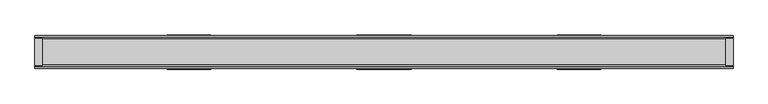
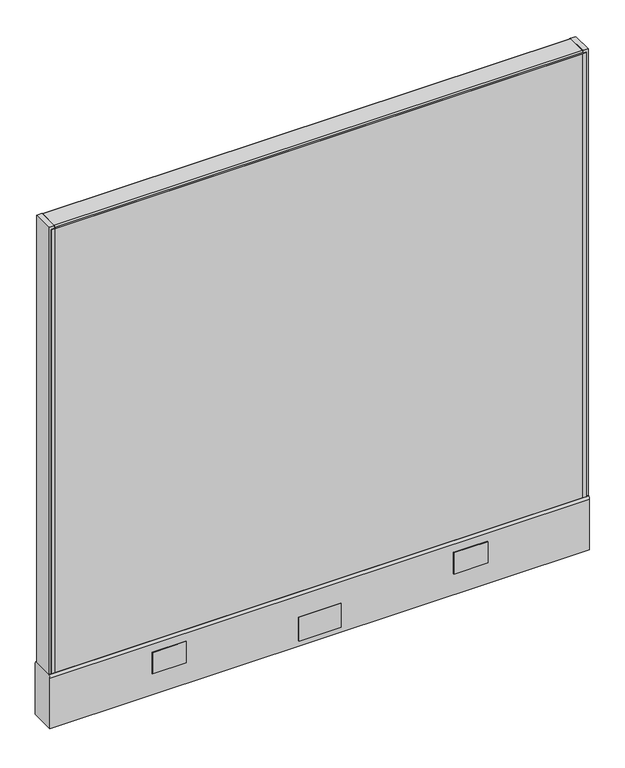
"""IFC4 building model written with IfcOpenShell, lengths in millimetres: furniture geometry."""

from ifc_helpers import new_model, si_unit, point, frame, frame_2d, origin, place, context, project, spatial, polyline, circle_curve, trimmed, segment, composite_curve, outline, extrude, source, transform, mapped, element, save
from ifc_brep_helpers import plane_surface, cylinder_surface, advanced_brep


def furniture_9ed7136b(model_context):
    return source(origin(), model_context, "Body", "SolidModel", [
        extrude(outline(polyline([(596.9039688, 25.4), (596.9039688, 0.0), (-596.8960312, 0.0), (-596.8960312, 25.4), (596.9039688, 25.4)])), frame((0.0, 0.0, 136.525), z_axis=(0.0, 0.0, 1.0), x_axis=(1.0, 0.0, 0.0)), (0.0, 0.0, 1.0), 1060.45),
        extrude(outline(polyline([(47.6289688, 28.575), (-47.6210312, 28.575), (-47.6210312, 30.1625), (47.6289688, 30.1625), (47.6289688, 28.575)])), frame((0.0, 0.0, 22.225), z_axis=(0.0, 0.0, 1.0), x_axis=(1.0, 0.0, 0.0)), (0.0, 0.0, 1.0), 57.15),
        extrude(outline(polyline([(47.6289688, -30.1625), (-47.6210312, -30.1625), (-47.6210312, -28.575), (47.6289688, -28.575), (47.6289688, -30.1625)])), frame((0.0, 0.0, 22.225), z_axis=(0.0, 0.0, 1.0), x_axis=(1.0, 0.0, 0.0)), (0.0, 0.0, 1.0), 57.15),
        advanced_brep(
        [(552.45, 0.0, 0.0), (577.85, 0.0, 0.0), (565.15, 0.0, 0.0), (552.45, 0.0, 4.7625), (577.85, 0.0, 4.7625), (558.8, 0.0, 4.7625), (571.5, 0.0, 4.7625), (558.8, 0.0, 111.125), (571.5, 0.0, 111.125), (565.15, 0.0, 111.125)],
        [
            (0, 1, circle_curve(frame((565.15, 0.0, 0.0), z_axis=(0.0, 0.0, -1.0), x_axis=(1.0, 0.0, 0.0)), 12.7)),
            (1, 2),
            (2, 0),
            (1, 0, circle_curve(frame((565.15, 0.0, 0.0), z_axis=(0.0, 0.0, -1.0), x_axis=(1.0, 0.0, 0.0)), 12.7)),
            (3, 4, circle_curve(frame((565.15, 0.0, 4.7625), z_axis=(0.0, 0.0, -1.0), x_axis=(1.0, 0.0, 0.0)), 12.7)),
            (4, 1),
            (0, 3),
            (4, 3, circle_curve(frame((565.15, 0.0, 4.7625), z_axis=(0.0, 0.0, -1.0), x_axis=(1.0, 0.0, 0.0)), 12.7)),
            (5, 6, circle_curve(frame((565.15, 0.0, 4.7625), z_axis=(0.0, 0.0, -1.0), x_axis=(1.0, 0.0, 0.0)), 6.35)),
            (6, 4),
            (3, 5),
            (6, 5, circle_curve(frame((565.15, 0.0, 4.7625), z_axis=(0.0, 0.0, -1.0), x_axis=(1.0, 0.0, 0.0)), 6.35)),
            (7, 8, circle_curve(frame((565.15, 0.0, 111.125), z_axis=(0.0, 0.0, -1.0), x_axis=(1.0, 0.0, 0.0)), 6.35)),
            (8, 6),
            (5, 7),
            (8, 7, circle_curve(frame((565.15, 0.0, 111.125), z_axis=(0.0, 0.0, -1.0), x_axis=(1.0, 0.0, 0.0)), 6.35)),
            (9, 8),
            (7, 9),
        ],
        [
            plane_surface(frame((565.15, 0.0, 0.0), z_axis=(0.0, 0.0, -1.0), x_axis=(1.0, 0.0, 0.0))),
            cylinder_surface(frame((565.15, 0.0, 114.882153), z_axis=(0.0, 0.0, 1.0), x_axis=(1.0, 0.0, 0.0)), 12.7),
            plane_surface(frame((565.15, 0.0, 4.7625), z_axis=(0.0, 0.0, 1.0), x_axis=(1.0, 0.0, 0.0))),
            cylinder_surface(frame((565.15, 0.0, 114.882153), z_axis=(0.0, 0.0, 1.0), x_axis=(1.0, 0.0, 0.0)), 6.35),
            plane_surface(frame((565.15, 0.0, 111.125), z_axis=(0.0, 0.0, 1.0), x_axis=(1.0, 0.0, 0.0))),
        ],
        [
            (0, [[1, 2, 3]]),
            (0, [[4, -3, -2]]),
            (1, [[5, 6, -1, 7]]),
            (1, [[8, -7, -4, -6]]),
            (2, [[9, 10, -5, 11]]),
            (2, [[12, -11, -8, -10]]),
            (3, [[13, 14, -9, 15]]),
            (3, [[16, -15, -12, -14]]),
            (4, [[17, -13, 18]]),
            (4, [[-18, -16, -17]]),
        ],
    ),
        advanced_brep(
        [(-577.85, 0.0, 4.7625), (-552.45, 0.0, 4.7625), (-552.45, 0.0, 0.0), (-577.85, 0.0, 0.0), (-571.5, 0.0, 4.7625), (-558.8, 0.0, 4.7625), (-571.5, 0.0, 111.125), (-558.8, 0.0, 111.125), (-565.15, 0.0, 111.125), (-565.15, 0.0, 0.0)],
        [
            (0, 1, circle_curve(frame((-565.15, 0.0, 4.7625), z_axis=(0.0, 0.0, -1.0), x_axis=(1.0, 0.0, 0.0)), 12.7)),
            (1, 2),
            (2, 3, circle_curve(frame((-565.15, 0.0, 0.0), z_axis=(0.0, 0.0, 1.0), x_axis=(1.0, 0.0, 0.0)), 12.7)),
            (3, 0),
            (1, 0, circle_curve(frame((-565.15, 0.0, 4.7625), z_axis=(0.0, 0.0, -1.0), x_axis=(1.0, 0.0, 0.0)), 12.7)),
            (3, 2, circle_curve(frame((-565.15, 0.0, 0.0), z_axis=(0.0, 0.0, 1.0), x_axis=(1.0, 0.0, 0.0)), 12.7)),
            (4, 5, circle_curve(frame((-565.15, 0.0, 4.7625), z_axis=(0.0, 0.0, -1.0), x_axis=(1.0, 0.0, 0.0)), 6.35)),
            (5, 1),
            (0, 4),
            (5, 4, circle_curve(frame((-565.15, 0.0, 4.7625), z_axis=(0.0, 0.0, -1.0), x_axis=(1.0, 0.0, 0.0)), 6.35)),
            (6, 7, circle_curve(frame((-565.15, 0.0, 111.125), z_axis=(0.0, 0.0, -1.0), x_axis=(1.0, 0.0, 0.0)), 6.35)),
            (7, 5),
            (4, 6),
            (7, 6, circle_curve(frame((-565.15, 0.0, 111.125), z_axis=(0.0, 0.0, -1.0), x_axis=(1.0, 0.0, 0.0)), 6.35)),
            (8, 7),
            (6, 8),
            (2, 9),
            (9, 3),
        ],
        [
            cylinder_surface(frame((-565.15, 0.0, 123.825), z_axis=(0.0, 0.0, 1.0), x_axis=(1.0, 0.0, 0.0)), 12.7),
            plane_surface(frame((-565.15, 0.0, 4.7625), z_axis=(0.0, 0.0, 1.0), x_axis=(1.0, 0.0, 0.0))),
            cylinder_surface(frame((-565.15, 0.0, 123.825), z_axis=(0.0, 0.0, 1.0), x_axis=(1.0, 0.0, 0.0)), 6.35),
            plane_surface(frame((-565.15, 0.0, 111.125), z_axis=(0.0, 0.0, 1.0), x_axis=(1.0, 0.0, 0.0))),
            plane_surface(frame((-565.15, 0.0, 0.0), z_axis=(0.0, 0.0, -1.0), x_axis=(1.0, 0.0, 0.0))),
        ],
        [
            (0, [[1, 2, 3, 4]]),
            (0, [[5, -4, 6, -2]]),
            (1, [[7, 8, -1, 9]]),
            (1, [[10, -9, -5, -8]]),
            (2, [[11, 12, -7, 13]]),
            (2, [[14, -13, -10, -12]]),
            (3, [[15, -11, 16]]),
            (3, [[-16, -14, -15]]),
            (4, [[-3, 17, 18]]),
            (4, [[-6, -18, -17]]),
        ],
    ),
        extrude(outline(polyline([(-609.5960312, 23.8125), (-596.8960313, 23.8125), (-596.8960313, -23.8125), (-609.5960312, -23.8125), (-609.5960312, 23.8125)])), frame((0.0, 0.0, 136.525), z_axis=(0.0, 0.0, 1.0), x_axis=(1.0, 0.0, 0.0)), (0.0, 0.0, 1.0), 1066.8),
        extrude(outline(polyline([(609.6039688, 23.8125), (609.6039688, -23.8125), (596.9039688, -23.8125), (596.9039688, 23.8125), (609.6039688, 23.8125)])), frame((0.0, 0.0, 136.525), z_axis=(0.0, 0.0, 1.0), x_axis=(1.0, 0.0, 0.0)), (0.0, 0.0, 1.0), 1066.8),
        extrude(outline(polyline([(-596.9, 25.4), (-596.9, 23.8125), (-604.8375, 23.8125), (-604.8375, 25.4), (-596.9, 25.4)])), frame((0.0, 0.0, 136.525), z_axis=(0.0, 0.0, 1.0), x_axis=(1.0, 0.0, 0.0)), (0.0, 0.0, 1.0), 1060.45),
        extrude(outline(polyline([(-596.9, -25.4), (-604.8375, -25.4), (-604.8375, -23.8125), (-596.9, -23.8125), (-596.9, -25.4)])), frame((0.0, 0.0, 136.525), z_axis=(0.0, 0.0, 1.0), x_axis=(1.0, 0.0, 0.0)), (0.0, 0.0, 1.0), 1060.45),
        extrude(outline(polyline([(604.8375, 25.4), (604.8375, 23.8125), (596.9, 23.8125), (596.9, 25.4), (604.8375, 25.4)])), frame((0.0, 0.0, 136.525), z_axis=(0.0, 0.0, 1.0), x_axis=(1.0, 0.0, 0.0)), (0.0, 0.0, 1.0), 1060.45),
        extrude(outline(polyline([(596.9, -23.8125), (604.8375, -23.8125), (604.8375, -25.4), (596.9, -25.4), (596.9, -23.8125)])), frame((0.0, 0.0, 136.525), z_axis=(0.0, 0.0, 1.0), x_axis=(1.0, 0.0, 0.0)), (0.0, 0.0, 1.0), 1060.45),
        extrude(outline(composite_curve([segment(trimmed(circle_curve(frame_2d((22.225, 1200.15)), 3.175), [point((22.225, 1203.325))], [point((25.4, 1200.15))], False, "CARTESIAN"), True, "CONTINUOUS"), segment(polyline([(25.4, 1200.15), (25.4, 1196.975), (-25.4, 1196.975), (-25.4, 1200.15)]), True, "CONTINUOUS"), segment(trimmed(circle_curve(frame_2d((-22.225, 1200.15)), 3.175), [point((-25.4, 1200.15))], [point((-22.225, 1203.325))], False, "CARTESIAN"), True, "CONTINUOUS"), segment(polyline([(-22.225, 1203.325), (22.225, 1203.325)]), True, "CONTINUOUS")], self_intersect=False)), frame((-596.8960312, 0.0, 0.0), z_axis=(1.0, 0.0, 0.0), x_axis=(0.0, 1.0, 0.0)), (0.0, 0.0, 1.0), 1193.8),
        extrude(outline(polyline([(378.7179688, 30.1625), (378.7179688, 28.575), (302.4101528, 28.575), (302.4101528, 30.1625), (378.7179688, 30.1625)])), frame((0.0, 0.0, 60.325), z_axis=(0.0, 0.0, 1.0), x_axis=(1.0, 0.0, 0.0)), (0.0, 0.0, 1.0), 50.8),
        extrude(outline(polyline([(-302.4022153, 30.1625), (-302.4022153, 28.575), (-378.7100312, 28.575), (-378.7100312, 30.1625), (-302.4022153, 30.1625)])), frame((0.0, 0.0, 60.325), z_axis=(0.0, 0.0, 1.0), x_axis=(1.0, 0.0, 0.0)), (0.0, 0.0, 1.0), 50.8),
        extrude(outline(polyline([(378.7179688, -28.575), (378.7179688, -30.1625), (302.4101528, -30.1625), (302.4101528, -28.575), (378.7179688, -28.575)])), frame((0.0, 0.0, 60.325), z_axis=(0.0, 0.0, 1.0), x_axis=(1.0, 0.0, 0.0)), (0.0, 0.0, 1.0), 50.8),
        extrude(outline(polyline([(-302.4022153, -28.575), (-302.4022153, -30.1625), (-378.7100312, -30.1625), (-378.7100312, -28.575), (-302.4022153, -28.575)])), frame((0.0, 0.0, 60.325), z_axis=(0.0, 0.0, 1.0), x_axis=(1.0, 0.0, 0.0)), (0.0, 0.0, 1.0), 50.8),
        extrude(outline(composite_curve([segment(trimmed(circle_curve(frame_2d((20.6375, 130.175)), 7.9375), [point((25.4, 136.525))], [point((28.575, 130.175))], False, "CARTESIAN"), True, "CONTINUOUS"), segment(polyline([(28.575, 130.175), (28.575, 9.525), (-28.575, 9.525), (-28.575, 130.175)]), True, "CONTINUOUS"), segment(trimmed(circle_curve(frame_2d((-20.6375, 130.175)), 7.9375), [point((-28.575, 130.175))], [point((-25.4, 136.525))], False, "CARTESIAN"), True, "CONTINUOUS"), segment(polyline([(-25.4, 136.525), (25.4, 136.525)]), True, "CONTINUOUS")], self_intersect=False)), frame((-609.5960312, 0.0, 0.0), z_axis=(1.0, 0.0, 0.0), x_axis=(0.0, 1.0, 0.0)), (0.0, 0.0, 1.0), 1219.2),
        extrude(outline(polyline([(596.9039688, 0.0), (596.9039688, -25.4), (-596.8960312, -25.4), (-596.8960312, 0.0), (596.9039688, 0.0)])), frame((0.0, 0.0, 136.525), z_axis=(0.0, 0.0, 1.0), x_axis=(1.0, 0.0, 0.0)), (0.0, 0.0, 1.0), 1060.45),
    ])


if __name__ == "__main__":
    model = new_model("IFC4")
    model_context = context("Model", 3, world=origin())
    ifc_project = project(units=[si_unit("LENGTHUNIT", "METRE", prefix="MILLI")], contexts=[model_context])
    site = spatial("IfcSite", under=ifc_project)
    building = spatial("IfcBuilding", under=site)
    placement = place(None, origin())
    furniture_shape = furniture_9ed7136b(model_context)
    element("IfcFurniture", 1, at=placement, inside=building, context=model_context, shape_type="MappedRepresentation", body=[
        mapped(furniture_shape, transform((0.0, 0.0, 0.0), x_axis=(1.0, 0.0, 0.0), y_axis=(0.0, 1.0, 0.0), z_axis=(0.0, 0.0, 1.0))),
    ])
    save(model, "model.ifc")
